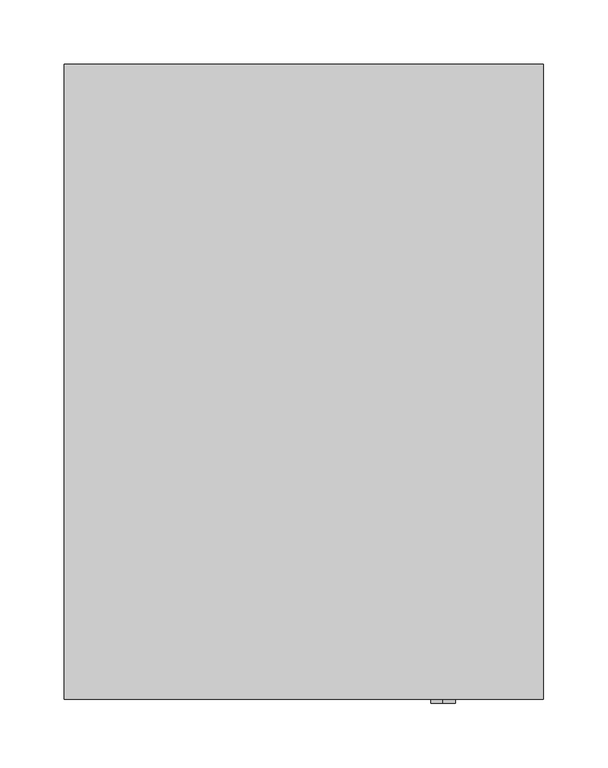
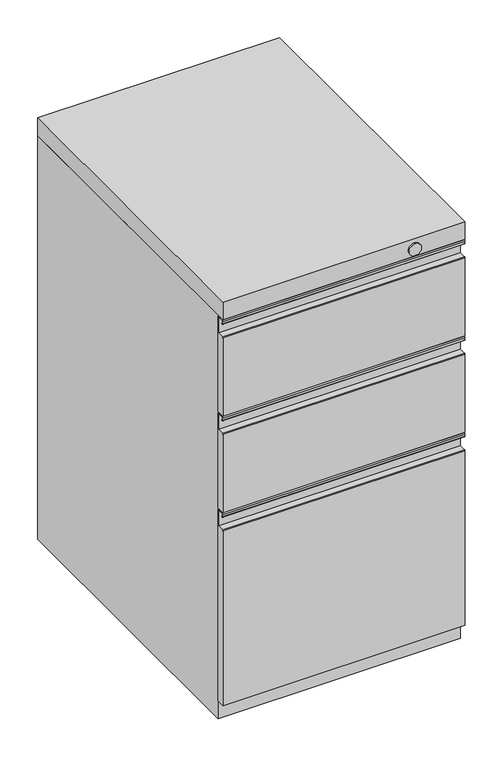
"""IFC4 building model written with IfcOpenShell, lengths in millimetres: furniture geometry."""

import ifcopenshell
import ifcopenshell.guid

model = None  # the IFC model being written
_history = None  # IfcOwnerHistory: only IFC2X3 demands one
_inside = {}  # id of a spatial element -> (the spatial element, [elements in it])
_under = {}  # id of a project, library or spatial element -> (it, [spatial elements below it])
_declared = {}  # id of a project -> (the project, [libraries it declares])
_typed = {}  # id of a type object -> (the type object, [elements of that type])
_made_of = {}  # id of a material, layer set ... -> (it, [elements and type objects made of it])


def new_model(schema):
    """Start an empty IFC model of exactly this schema.

    Asked for "IFC4X3", IfcOpenShell would pick the latest addendum, in which some entities
    have other attributes; the version numbers below select the first issue.
    IFC2X3 requires an IfcOwnerHistory on every rooted entity: one is made here for all.
    """
    global model, _history
    if schema == "IFC4X3":
        model = ifcopenshell.file(schema_version=(4, 3, 0, 0))
    else:
        model = ifcopenshell.file(schema=schema)
    _inside.clear()
    _under.clear()
    _declared.clear()
    _typed.clear()
    _made_of.clear()
    _history = None
    if model.schema == "IFC2X3":
        org = make("IfcOrganization", Name="unknown")
        user = make(
            "IfcPersonAndOrganization",
            ThePerson=make("IfcPerson", FamilyName="unknown"),
            TheOrganization=org,
        )
        app = make(
            "IfcApplication",
            ApplicationDeveloper=org,
            Version="unknown",
            ApplicationFullName="unknown",
            ApplicationIdentifier="unknown",
        )
        _history = make(
            "IfcOwnerHistory",
            OwningUser=user,
            OwningApplication=app,
            ChangeAction="ADDED",
            CreationDate=0,
        )
    return model


def make(cls, **values):
    """One entity of the class cls with the attributes given. An attribute that is None is left unset."""
    return model.create_entity(
        cls, **{name: value for name, value in values.items() if value is not None}
    )


def rooted(cls, **values):
    """An entity with a GlobalId (a new one), such as an element, a storey or a relation."""
    return make(cls, GlobalId=ifcopenshell.guid.new(), OwnerHistory=_history, **values)


def si_unit(unit_type, name, prefix=None):
    """IfcSIUnit, for example si_unit("LENGTHUNIT", "METRE", prefix="MILLI")."""
    return make("IfcSIUnit", UnitType=unit_type, Prefix=prefix, Name=name)


def assignment(units):
    """IfcUnitAssignment: the units of a project."""
    return None if units is None else make("IfcUnitAssignment", Units=units)


def point(xyz):
    """IfcCartesianPoint."""
    return None if xyz is None else make("IfcCartesianPoint", Coordinates=xyz)


def direction(xyz):
    """IfcDirection."""
    return None if xyz is None else make("IfcDirection", DirectionRatios=xyz)


def frame(location, z_axis=None, x_axis=None):
    """IfcAxis2Placement3D, a coordinate frame: its origin and axes. An axis left out is left unset."""
    return make(
        "IfcAxis2Placement3D",
        Location=point(location),
        Axis=direction(z_axis),
        RefDirection=direction(x_axis),
    )


def frame_2d(location, x_axis=None):
    """IfcAxis2Placement2D, a coordinate frame in the plane: its origin and x axis."""
    return make(
        "IfcAxis2Placement2D", Location=point(location), RefDirection=direction(x_axis)
    )


def origin():
    """The frame at (0, 0, 0) with its axes left unset."""
    return frame((0.0, 0.0, 0.0))


def place(relative_to, where):
    """IfcLocalPlacement: puts the frame where relative to a parent placement (None: the world)."""
    return make(
        "IfcLocalPlacement", PlacementRelTo=relative_to, RelativePlacement=where
    )


def context(
    kind, dimensions, precision=None, world=None, true_north=None, identifier=None
):
    """IfcGeometricRepresentationContext, for example the 3D "Model" context."""
    return make(
        "IfcGeometricRepresentationContext",
        ContextIdentifier=identifier,
        ContextType=kind,
        CoordinateSpaceDimension=dimensions,
        Precision=precision,
        WorldCoordinateSystem=world,
        TrueNorth=true_north,
    )


def project(units=None, contexts=None):
    """IfcProject with its units and contexts."""
    return rooted(
        "IfcProject",
        Name="project",
        RepresentationContexts=contexts,
        UnitsInContext=assignment(units),
    )


def spatial(cls, under=None, at=None, **own):
    """A site, building, storey or space (cls), placed at a placement, below another one or the project."""
    s = rooted(cls, ObjectPlacement=at, **own)
    if under is not None:
        _under.setdefault(under.id(), (under, []))[1].append(s)
    return s


def polyline(points):
    """IfcPolyline through the points."""
    return make("IfcPolyline", Points=[point(p) for p in points])


def circle_curve(where, radius):
    """IfcCircle in the frame where."""
    return make("IfcCircle", Position=where, Radius=radius)


def trimmed(basis, trim1, trim2, sense, master):
    """IfcTrimmedCurve: the piece of a basis curve between two trims."""
    return make(
        "IfcTrimmedCurve",
        BasisCurve=basis,
        Trim1=trim1,
        Trim2=trim2,
        SenseAgreement=sense,
        MasterRepresentation=master,
    )


def segment(curve, same_sense, transition):
    """IfcCompositeCurveSegment."""
    return make(
        "IfcCompositeCurveSegment",
        Transition=transition,
        SameSense=same_sense,
        ParentCurve=curve,
    )


def composite_curve(segments, self_intersect=None):
    """IfcCompositeCurve: segments joined end to end."""
    return make("IfcCompositeCurve", Segments=segments, SelfIntersect=self_intersect)


def outline(outer, holes=None, kind="AREA"):
    """IfcArbitraryClosedProfileDef: a profile drawn as a closed curve; with holes, ...WithVoids."""
    if holes is None:
        return make("IfcArbitraryClosedProfileDef", ProfileType=kind, OuterCurve=outer)
    return make(
        "IfcArbitraryProfileDefWithVoids",
        ProfileType=kind,
        OuterCurve=outer,
        InnerCurves=holes,
    )


def extrude(swept, where, along, depth):
    """IfcExtrudedAreaSolid: the profile swept, set in the frame where, extruded along a direction by depth."""
    return make(
        "IfcExtrudedAreaSolid",
        SweptArea=swept,
        Position=where,
        ExtrudedDirection=direction(along),
        Depth=depth,
    )


def shape(context_of_items, identifier, shape_type, items):
    """IfcShapeRepresentation: the items that make up one representation, for example the "Body"."""
    return make(
        "IfcShapeRepresentation",
        ContextOfItems=context_of_items,
        RepresentationIdentifier=identifier,
        RepresentationType=shape_type,
        Items=items,
    )


def source(mapping_origin, context_of_items, identifier, shape_type, items):
    """IfcRepresentationMap: a shape defined once, which mapped items show again and again."""
    return make(
        "IfcRepresentationMap",
        MappingOrigin=mapping_origin,
        MappedRepresentation=shape(context_of_items, identifier, shape_type, items),
    )


def transform(
    local_origin,
    x_axis=None,
    y_axis=None,
    z_axis=None,
    scale=None,
    scale2=None,
    scale3=None,
    uniform=True,
):
    """IfcCartesianTransformationOperator3D, or its non-uniform kind. x_axis, y_axis, z_axis: its Axis1, 2, 3."""
    if uniform:
        return make(
            "IfcCartesianTransformationOperator3D",
            Axis1=direction(x_axis),
            Axis2=direction(y_axis),
            LocalOrigin=point(local_origin),
            Scale=scale,
            Axis3=direction(z_axis),
        )
    return make(
        "IfcCartesianTransformationOperator3DnonUniform",
        Axis1=direction(x_axis),
        Axis2=direction(y_axis),
        LocalOrigin=point(local_origin),
        Scale=scale,
        Axis3=direction(z_axis),
        Scale2=scale2,
        Scale3=scale3,
    )


def mapped(mapping_source, mapping_target):
    """IfcMappedItem: shows the shape of a source again, moved by a transform."""
    return make(
        "IfcMappedItem", MappingSource=mapping_source, MappingTarget=mapping_target
    )


def made_of(thing, what):
    """Note that an element or type object is made of a material, layer set ...; save() writes the relation."""
    if what is not None:
        _made_of.setdefault(what.id(), (what, []))[1].append(thing)
    return thing


def element(
    cls,
    number,
    at=None,
    inside=None,
    cuts=None,
    type_object=None,
    material=None,
    context=None,
    identifier="Body",
    shape_type=None,
    held_by="IfcProductDefinitionShape",
    body=None,
    shapes=None,
    **own,
):
    """One element of the class cls, such as IfcWall. Its Tag is "e" and its number.

    at: its placement. inside: the storey or other place that contains it. cuts: it is an
    opening in that element (IfcRelVoidsElement). A single representation is given by context,
    identifier, shape_type and body (its items); several are given by shapes. held_by: the class
    of the entity that holds the representations. save() writes the other relations.
    """
    e = rooted(cls, Tag="e%d" % number, ObjectPlacement=at, **own)
    if body is not None:
        shapes = [shape(context, identifier, shape_type, body)]
    if shapes is not None:
        e.Representation = make(held_by, Representations=shapes)
    if inside is not None:
        _inside.setdefault(inside.id(), (inside, []))[1].append(e)
    if cuts is not None:
        rooted(
            "IfcRelVoidsElement", RelatingBuildingElement=cuts, RelatedOpeningElement=e
        )
    if type_object is not None:
        _typed.setdefault(type_object.id(), (type_object, []))[1].append(e)
    return made_of(e, material)


def aggregate(whole, parts):
    """IfcRelAggregates: a whole, such as a stair, and the parts it consists of."""
    return rooted("IfcRelAggregates", RelatingObject=whole, RelatedObjects=parts)


def save(model, path):
    """Write the relations noted so far, then the file.

    IfcRelAggregates (storeys below a building ...), IfcRelContainedInSpatialStructure (elements
    in a storey), IfcRelDefinesByType, IfcRelAssociatesMaterial and IfcRelDeclares: one each for
    every whole, place, type object, material and project.
    """
    for whole, parts in _under.values():
        aggregate(whole, parts)
    for where, things in _inside.values():
        rooted(
            "IfcRelContainedInSpatialStructure",
            RelatedElements=things,
            RelatingStructure=where,
        )
    for kind, things in _typed.values():
        rooted("IfcRelDefinesByType", RelatedObjects=things, RelatingType=kind)
    for what, things in _made_of.values():
        rooted("IfcRelAssociatesMaterial", RelatedObjects=things, RelatingMaterial=what)
    for by, libraries in _declared.values():
        rooted("IfcRelDeclares", RelatingContext=by, RelatedDefinitions=libraries)
    model.write(path)


def plane_surface(at):
    """IfcPlane: the flat surface through the origin of the frame at, square to its z axis."""
    return make("IfcPlane", Position=at)


def cylinder_surface(at, radius):
    """IfcCylindricalSurface: all points at the distance radius from the z axis of the frame at."""
    return make("IfcCylindricalSurface", Position=at, Radius=radius)


def advanced_brep(points, edges, surfaces, faces):
    """IfcAdvancedBrep: a solid bounded by faces that lie on surfaces and meet in shared edges.

    An edge is (start, end): straight between two places in points (the first is 0);
    or (start, end, curve); or (start, end, curve, False) where it runs against its curve.
    A face is (place in surfaces, loops), or (place, loops, False) where it looks against
    its surface's normal. A loop lists edges by number (the first is 1), with a minus sign
    where the edge is run from its end to its start. The first loop is the outer one.
    """
    corners = [point(p) for p in points]
    vertices = [make("IfcVertexPoint", VertexGeometry=c) for c in corners]
    made = []
    for start, end, *more in edges:
        made.append(
            make(
                "IfcEdgeCurve",
                EdgeStart=vertices[start],
                EdgeEnd=vertices[end],
                EdgeGeometry=more[0] if more else make("IfcPolyline", Points=[corners[start], corners[end]]),
                SameSense=more[1] if len(more) > 1 else True,
            )
        )
    hull = []
    for where, loops, *sense in faces:
        bounds = []
        for j, loop in enumerate(loops):
            ring = [make("IfcOrientedEdge", EdgeElement=made[abs(k) - 1], Orientation=k > 0) for k in loop]
            bounds.append(
                make(
                    "IfcFaceOuterBound" if j == 0 else "IfcFaceBound",
                    Bound=make("IfcEdgeLoop", EdgeList=ring),
                    Orientation=True,
                )
            )
        hull.append(make("IfcAdvancedFace", Bounds=bounds, FaceSurface=surfaces[where], SameSense=sense[0] if sense else True))
    return make("IfcAdvancedBrep", Outer=make("IfcClosedShell", CfsFaces=hull))


def furniture_12f3f3c2(model_context):
    return source(origin(), model_context, "Body", "SolidModel", [
        advanced_brep(
        [(133.35, 230.1874902, 9.525), (133.35, 179.3874932, 9.525), (133.35, 204.7874917, 9.525), (133.35, 230.1874902, 0.0), (133.35, 179.3874932, 0.0), (133.35, 204.7874917, 0.0)],
        [
            (0, 1, circle_curve(frame((133.35, 204.7874917, 9.525), z_axis=(0.0, 0.0, 1.0), x_axis=(0.0, -1.0, 0.0)), 25.3999985)),
            (1, 2),
            (2, 0),
            (1, 0, circle_curve(frame((133.35, 204.7874917, 9.525), z_axis=(0.0, 0.0, 1.0), x_axis=(0.0, -1.0, 0.0)), 25.3999985)),
            (3, 4, circle_curve(frame((133.35, 204.7874917, 0.0), z_axis=(0.0, 0.0, 1.0), x_axis=(0.0, -1.0, 0.0)), 25.3999985)),
            (4, 1),
            (0, 3),
            (4, 3, circle_curve(frame((133.35, 204.7874917, 0.0), z_axis=(0.0, 0.0, 1.0), x_axis=(0.0, -1.0, 0.0)), 25.3999985)),
            (5, 4),
            (3, 5),
        ],
        [
            plane_surface(frame((133.35, 204.7874917, 9.525), z_axis=(0.0, 0.0, 1.0), x_axis=(0.0, -1.0, 0.0))),
            cylinder_surface(frame((133.35, 204.7874917, 0.0), z_axis=(0.0, 0.0, -1.0), x_axis=(0.0, -1.0, 0.0)), 25.3999985),
            plane_surface(frame((133.35, 204.7874917, 0.0), z_axis=(0.0, 0.0, -1.0), x_axis=(0.0, -1.0, 0.0))),
        ],
        [
            (0, [[1, 2, 3]]),
            (0, [[4, -3, -2]]),
            (1, [[5, 6, -1, 7]]),
            (1, [[8, -7, -4, -6]]),
            (2, [[9, -5, 10]]),
            (2, [[-10, -8, -9]]),
        ],
    ),
        advanced_brep(
        [(133.35, -169.8625098, 9.525), (133.35, -220.6625068, 9.525), (133.35, -195.2625083, 9.525), (133.35, -169.8625098, 0.0), (133.35, -220.6625068, 0.0), (133.35, -195.2625083, 0.0)],
        [
            (0, 1, circle_curve(frame((133.35, -195.2625083, 9.525), z_axis=(0.0, 0.0, 1.0), x_axis=(0.0, -1.0, 0.0)), 25.3999985)),
            (1, 2),
            (2, 0),
            (1, 0, circle_curve(frame((133.35, -195.2625083, 9.525), z_axis=(0.0, 0.0, 1.0), x_axis=(0.0, -1.0, 0.0)), 25.3999985)),
            (3, 4, circle_curve(frame((133.35, -195.2625083, 0.0), z_axis=(0.0, 0.0, 1.0), x_axis=(0.0, -1.0, 0.0)), 25.3999985)),
            (4, 1),
            (0, 3),
            (4, 3, circle_curve(frame((133.35, -195.2625083, 0.0), z_axis=(0.0, 0.0, 1.0), x_axis=(0.0, -1.0, 0.0)), 25.3999985)),
            (5, 4),
            (3, 5),
        ],
        [
            plane_surface(frame((133.35, -195.2625083, 9.525), z_axis=(0.0, 0.0, 1.0), x_axis=(0.0, -1.0, 0.0))),
            cylinder_surface(frame((133.35, -195.2625083, 0.0), z_axis=(0.0, 0.0, -1.0), x_axis=(0.0, -1.0, 0.0)), 25.3999985),
            plane_surface(frame((133.35, -195.2625083, 0.0), z_axis=(0.0, 0.0, -1.0), x_axis=(0.0, -1.0, 0.0))),
        ],
        [
            (0, [[1, 2, 3]]),
            (0, [[4, -3, -2]]),
            (1, [[5, 6, -1, 7]]),
            (1, [[8, -7, -4, -6]]),
            (2, [[9, -5, 10]]),
            (2, [[-10, -8, -9]]),
        ],
    ),
        advanced_brep(
        [(-133.35, -169.8625098, 9.525), (-133.35, -220.6625068, 9.525), (-133.35, -195.2625083, 9.525), (-133.35, -169.8625098, 0.0), (-133.35, -220.6625068, 0.0), (-133.35, -195.2625083, 0.0)],
        [
            (0, 1, circle_curve(frame((-133.35, -195.2625083, 9.525), z_axis=(0.0, 0.0, 1.0), x_axis=(0.0, -1.0, 0.0)), 25.3999985)),
            (1, 2),
            (2, 0),
            (1, 0, circle_curve(frame((-133.35, -195.2625083, 9.525), z_axis=(0.0, 0.0, 1.0), x_axis=(0.0, -1.0, 0.0)), 25.3999985)),
            (3, 4, circle_curve(frame((-133.35, -195.2625083, 0.0), z_axis=(0.0, 0.0, 1.0), x_axis=(0.0, -1.0, 0.0)), 25.3999985)),
            (4, 1),
            (0, 3),
            (4, 3, circle_curve(frame((-133.35, -195.2625083, 0.0), z_axis=(0.0, 0.0, 1.0), x_axis=(0.0, -1.0, 0.0)), 25.3999985)),
            (5, 4),
            (3, 5),
        ],
        [
            plane_surface(frame((-133.35, -195.2625083, 9.525), z_axis=(0.0, 0.0, 1.0), x_axis=(0.0, -1.0, 0.0))),
            cylinder_surface(frame((-133.35, -195.2625083, 0.0), z_axis=(0.0, 0.0, -1.0), x_axis=(0.0, -1.0, 0.0)), 25.3999985),
            plane_surface(frame((-133.35, -195.2625083, 0.0), z_axis=(0.0, 0.0, -1.0), x_axis=(0.0, -1.0, 0.0))),
        ],
        [
            (0, [[1, 2, 3]]),
            (0, [[4, -3, -2]]),
            (1, [[5, 6, -1, 7]]),
            (1, [[8, -7, -4, -6]]),
            (2, [[9, -5, 10]]),
            (2, [[-10, -8, -9]]),
        ],
    ),
        advanced_brep(
        [(-133.35, 230.1874902, 9.525), (-133.35, 179.3874932, 9.525), (-133.35, 204.7874917, 9.525), (-133.35, 230.1874902, 0.0), (-133.35, 179.3874932, 0.0), (-133.35, 204.7874917, 0.0)],
        [
            (0, 1, circle_curve(frame((-133.35, 204.7874917, 9.525), z_axis=(0.0, 0.0, 1.0), x_axis=(0.0, -1.0, 0.0)), 25.3999985)),
            (1, 2),
            (2, 0),
            (1, 0, circle_curve(frame((-133.35, 204.7874917, 9.525), z_axis=(0.0, 0.0, 1.0), x_axis=(0.0, -1.0, 0.0)), 25.3999985)),
            (3, 4, circle_curve(frame((-133.35, 204.7874917, 0.0), z_axis=(0.0, 0.0, 1.0), x_axis=(0.0, -1.0, 0.0)), 25.3999985)),
            (4, 1),
            (0, 3),
            (4, 3, circle_curve(frame((-133.35, 204.7874917, 0.0), z_axis=(0.0, 0.0, 1.0), x_axis=(0.0, -1.0, 0.0)), 25.3999985)),
            (5, 4),
            (3, 5),
        ],
        [
            plane_surface(frame((-133.35, 204.7874917, 9.525), z_axis=(0.0, 0.0, 1.0), x_axis=(0.0, -1.0, 0.0))),
            cylinder_surface(frame((-133.35, 204.7874917, 0.0), z_axis=(0.0, 0.0, -1.0), x_axis=(0.0, -1.0, 0.0)), 25.3999985),
            plane_surface(frame((-133.35, 204.7874917, 0.0), z_axis=(0.0, 0.0, -1.0), x_axis=(0.0, -1.0, 0.0))),
        ],
        [
            (0, [[1, 2, 3]]),
            (0, [[4, -3, -2]]),
            (1, [[5, 6, -1, 7]]),
            (1, [[8, -7, -4, -6]]),
            (2, [[9, -5, 10]]),
            (2, [[-10, -8, -9]]),
        ],
    ),
        advanced_brep(
        [(185.7375, -233.3633734, 347.698449), (185.7375, -234.9149365, 349.2500121), (185.7375, -244.2959206, 349.2500121), (185.7375, -245.8467713, 347.6991614), (185.7375, -245.8467713, 344.0934196), (185.7375, -243.4676129, 344.2289975), (185.7375, -245.0852623, 344.1369029), (185.7375, -245.0854655, 347.7001681), (185.7375, -244.2980863, 348.4876201), (185.7375, -234.912758, 348.4876201), (185.7375, -234.1245087, 347.6974066), (185.7375, -234.1245087, 322.3696782), (185.7375, -244.8905918, 322.3696782), (185.7375, -246.0625, 321.2427484), (185.7375, -246.0625, 38.1), (185.7375, -233.3624758, 38.1), (-185.7375, -233.3624758, 347.698655), (-185.7375, -233.3624758, 38.1), (-185.7375, -246.0625, 38.1), (-185.7375, -246.0625, 321.2427484), (-185.7375, -244.8905918, 322.3696782), (-185.7375, -234.1245087, 322.3696782), (-185.7375, -234.1245087, 347.6974066), (-185.7375, -234.912758, 348.4876201), (-185.7375, -244.2980863, 348.4876201), (-185.7375, -245.0854655, 347.7001681), (-185.7375, -245.0852623, 344.1369029), (-185.7375, -243.4676129, 344.2289975), (-185.7375, -245.8467713, 344.0934196), (-185.7375, -245.8467713, 347.6991614), (-185.7375, -244.2959206, 349.2500121), (-185.7375, -234.9149365, 349.2500121)],
        [
            (0, 1, circle_curve(frame((185.7375, -234.9149365, 347.698449), z_axis=(1.0, 0.0, 0.0), x_axis=(0.0, 1.0, 0.0)), 1.5515631)),
            (1, 2),
            (2, 3, circle_curve(frame((185.7375, -244.2959206, 347.6991614), z_axis=(1.0, 0.0, 0.0), x_axis=(0.0, 1.0, 0.0)), 1.5508507)),
            (3, 4),
            (4, 5, circle_curve(frame((185.7375, -244.6533291, 344.0934196), z_axis=(1.0, 0.0, 0.0), x_axis=(0.0, 1.0, 0.0)), 1.1934422)),
            (5, 6),
            (6, 7),
            (7, 8),
            (8, 9),
            (9, 10),
            (10, 11),
            (11, 12),
            (12, 13, circle_curve(frame((185.7375, -244.8905918, 321.1968723), z_axis=(1.0, 0.0, 0.0), x_axis=(0.0, 1.0, 0.0)), 1.1728058)),
            (13, 14),
            (14, 15),
            (15, 0),
            (16, 17),
            (17, 18),
            (18, 19),
            (19, 20, circle_curve(frame((-185.7375, -244.8905918, 321.1968723), z_axis=(-1.0, 0.0, 0.0), x_axis=(0.0, 1.0, 0.0)), 1.1728058)),
            (20, 21),
            (21, 22),
            (22, 23),
            (23, 24),
            (24, 25),
            (25, 26),
            (26, 27),
            (27, 28, circle_curve(frame((-185.7375, -244.6533291, 344.0934196), z_axis=(-1.0, 0.0, 0.0), x_axis=(0.0, 1.0, 0.0)), 1.1934422)),
            (28, 29),
            (29, 30, circle_curve(frame((-185.7375, -244.2959206, 347.6991614), z_axis=(-1.0, 0.0, 0.0), x_axis=(0.0, 1.0, 0.0)), 1.5508507)),
            (30, 31),
            (31, 16, circle_curve(frame((-185.7375, -234.9149365, 347.698449), z_axis=(-1.0, 0.0, 0.0), x_axis=(0.0, 1.0, 0.0)), 1.5515631)),
            (0, 16),
            (31, 1),
            (30, 2),
            (29, 3),
            (28, 4),
            (27, 5),
            (26, 6),
            (25, 7),
            (24, 8),
            (23, 9),
            (22, 10),
            (21, 11),
            (20, 12),
            (19, 13),
            (18, 14),
            (17, 15),
        ],
        [
            plane_surface(frame((185.7375, -233.3633734, 347.698449), z_axis=(1.0, 0.0, 0.0), x_axis=(0.0, 0.0, 1.0))),
            plane_surface(frame((-185.7375, -233.3633734, 347.698449), z_axis=(-1.0, 0.0, 0.0), x_axis=(0.0, 0.0, -1.0))),
            cylinder_surface(frame((-185.7375, -234.9149365, 347.698449), z_axis=(1.0, 0.0, 0.0), x_axis=(0.0, 1.0, 0.0)), 1.5515631),
            plane_surface(frame((185.7375, -234.9149365, 349.2500121), z_axis=(0.0, 0.0, 1.0), x_axis=(-1.0, 0.0, 0.0))),
            cylinder_surface(frame((-185.7375, -244.2959206, 347.6991614), z_axis=(1.0, 0.0, 0.0), x_axis=(0.0, 1.0, 0.0)), 1.5508507),
            plane_surface(frame((185.7375, -245.8467713, 347.6991614), z_axis=(0.0, -1.0, 0.0), x_axis=(-1.0, 0.0, 0.0))),
            cylinder_surface(frame((-185.7375, -244.6533291, 344.0934196), z_axis=(1.0, 0.0, 0.0), x_axis=(0.0, 1.0, 0.0)), 1.1934422),
            plane_surface(frame((185.7375, -243.4676129, 344.2289975), z_axis=(0.0, -0.05683911841868718, 0.9983833505309404), x_axis=(-1.0, 0.0, 0.0))),
            plane_surface(frame((185.7375, -245.0852623, 344.1369029), z_axis=(0.0, 0.9999999983729901, 5.7044017430335134e-05), x_axis=(-1.0, 0.0, 0.0))),
            plane_surface(frame((185.7375, -245.0854655, 347.7001681), z_axis=(0.0, 0.7071394096055933, -0.7070741512618411), x_axis=(-1.0, 0.0, 0.0))),
            plane_surface(frame((185.7375, -244.2980863, 348.4876201), z_axis=(0.0, 0.0, -1.0), x_axis=(-1.0, 0.0, 0.0))),
            plane_surface(frame((185.7375, -234.912758, 348.4876201), z_axis=(0.0, -0.7079861649375401, -0.7062263024392637), x_axis=(-1.0, 0.0, 0.0))),
            plane_surface(frame((185.7375, -234.1245087, 347.6974066), z_axis=(0.0, -1.0, 0.0), x_axis=(-1.0, 0.0, 0.0))),
            plane_surface(frame((185.7375, -234.1245087, 322.3696782), z_axis=(0.0, 0.0, 1.0), x_axis=(-1.0, 0.0, 0.0))),
            cylinder_surface(frame((-185.7375, -244.8905918, 321.1968723), z_axis=(1.0, 0.0, 0.0), x_axis=(0.0, 1.0, 0.0)), 1.1728058),
            plane_surface(frame((185.7375, -246.0625, 321.2427484), z_axis=(0.0, -1.0, 0.0), x_axis=(-1.0, 0.0, 0.0))),
            plane_surface(frame((185.7375, -246.0625, 38.1), z_axis=(0.0, 0.0, -1.0), x_axis=(-1.0, 0.0, 0.0))),
            plane_surface(frame((185.7375, -233.3624758, 38.1), z_axis=(0.0, 1.0, 0.0), x_axis=(-1.0, 0.0, 0.0))),
        ],
        [
            (0, [[1, 2, 3, 4, 5, 6, 7, 8, 9, 10, 11, 12, 13, 14, 15, 16]]),
            (1, [[17, 18, 19, 20, 21, 22, 23, 24, 25, 26, 27, 28, 29, 30, 31, 32]]),
            (2, [[-1, 33, -32, 34]]),
            (3, [[-2, -34, -31, 35]]),
            (4, [[-3, -35, -30, 36]]),
            (5, [[-4, -36, -29, 37]]),
            (6, [[-5, -37, -28, 38]]),
            (7, [[-6, -38, -27, 39]]),
            (8, [[-7, -39, -26, 40]]),
            (9, [[-8, -40, -25, 41]]),
            (10, [[-9, -41, -24, 42]]),
            (11, [[-10, -42, -23, 43]]),
            (12, [[-11, -43, -22, 44]]),
            (13, [[-12, -44, -21, 45]]),
            (14, [[-13, -45, -20, 46]]),
            (15, [[-14, -46, -19, 47]]),
            (16, [[-15, -47, -18, 48]]),
            (17, [[-16, -48, -17, -33]]),
        ],
    ),
        advanced_brep(
        [(185.7375, -233.3633734, 660.4359482), (185.7375, -234.9149365, 661.9875114), (185.7375, -244.2959206, 661.9875114), (185.7375, -245.8467713, 660.4366607), (185.7375, -245.8467713, 656.8309189), (185.7375, -243.4676129, 656.9664968), (185.7375, -245.0852623, 656.8744021), (185.7375, -245.0854655, 660.4376674), (185.7375, -244.2980863, 661.2251193), (185.7375, -234.912758, 661.2251193), (185.7375, -234.1245087, 660.4349058), (185.7375, -234.1245087, 635.1071774), (185.7375, -244.8905918, 635.1071774), (185.7375, -246.0625, 633.9802476), (185.7375, -246.0625, 507.2062614), (185.7375, -233.3624758, 507.2062614), (-185.7375, -233.3624758, 660.4361542), (-185.7375, -233.3624758, 507.2062614), (-185.7375, -246.0625, 507.2062614), (-185.7375, -246.0625, 633.9802476), (-185.7375, -244.8905918, 635.1071774), (-185.7375, -234.1245087, 635.1071774), (-185.7375, -234.1245087, 660.4349058), (-185.7375, -234.912758, 661.2251193), (-185.7375, -244.2980863, 661.2251193), (-185.7375, -245.0854655, 660.4376674), (-185.7375, -245.0852623, 656.8744021), (-185.7375, -243.4676129, 656.9664968), (-185.7375, -245.8467713, 656.8309189), (-185.7375, -245.8467713, 660.4366607), (-185.7375, -244.2959206, 661.9875114), (-185.7375, -234.9149365, 661.9875114)],
        [
            (0, 1, circle_curve(frame((185.7375, -234.9149365, 660.4359482), z_axis=(1.0, 0.0, 0.0), x_axis=(0.0, 1.0, 0.0)), 1.5515631)),
            (1, 2),
            (2, 3, circle_curve(frame((185.7375, -244.2959206, 660.4366607), z_axis=(1.0, 0.0, 0.0), x_axis=(0.0, 1.0, 0.0)), 1.5508507)),
            (3, 4),
            (4, 5, circle_curve(frame((185.7375, -244.6533291, 656.8309189), z_axis=(1.0, 0.0, 0.0), x_axis=(0.0, 1.0, 0.0)), 1.1934422)),
            (5, 6),
            (6, 7),
            (7, 8),
            (8, 9),
            (9, 10),
            (10, 11),
            (11, 12),
            (12, 13, circle_curve(frame((185.7375, -244.8905918, 633.9343716), z_axis=(1.0, 0.0, 0.0), x_axis=(0.0, 1.0, 0.0)), 1.1728058)),
            (13, 14),
            (14, 15),
            (15, 0),
            (16, 17),
            (17, 18),
            (18, 19),
            (19, 20, circle_curve(frame((-185.7375, -244.8905918, 633.9343716), z_axis=(-1.0, 0.0, 0.0), x_axis=(0.0, 1.0, 0.0)), 1.1728058)),
            (20, 21),
            (21, 22),
            (22, 23),
            (23, 24),
            (24, 25),
            (25, 26),
            (26, 27),
            (27, 28, circle_curve(frame((-185.7375, -244.6533291, 656.8309189), z_axis=(-1.0, 0.0, 0.0), x_axis=(0.0, 1.0, 0.0)), 1.1934422)),
            (28, 29),
            (29, 30, circle_curve(frame((-185.7375, -244.2959206, 660.4366607), z_axis=(-1.0, 0.0, 0.0), x_axis=(0.0, 1.0, 0.0)), 1.5508507)),
            (30, 31),
            (31, 16, circle_curve(frame((-185.7375, -234.9149365, 660.4359482), z_axis=(-1.0, 0.0, 0.0), x_axis=(0.0, 1.0, 0.0)), 1.5515631)),
            (0, 16),
            (31, 1),
            (30, 2),
            (29, 3),
            (28, 4),
            (27, 5),
            (26, 6),
            (25, 7),
            (24, 8),
            (23, 9),
            (22, 10),
            (21, 11),
            (20, 12),
            (19, 13),
            (18, 14),
            (17, 15),
        ],
        [
            plane_surface(frame((185.7375, -233.3633734, 660.4359482), z_axis=(1.0, 0.0, 0.0), x_axis=(0.0, 0.0, 1.0))),
            plane_surface(frame((-185.7375, -233.3633734, 660.4359482), z_axis=(-1.0, 0.0, 0.0), x_axis=(0.0, 0.0, -1.0))),
            cylinder_surface(frame((-185.7375, -234.9149365, 660.4359482), z_axis=(1.0, 0.0, 0.0), x_axis=(0.0, 1.0, 0.0)), 1.5515631),
            plane_surface(frame((185.7375, -234.9149365, 661.9875114), z_axis=(0.0, 0.0, 1.0), x_axis=(-1.0, 0.0, 0.0))),
            cylinder_surface(frame((-185.7375, -244.2959206, 660.4366607), z_axis=(1.0, 0.0, 0.0), x_axis=(0.0, 1.0, 0.0)), 1.5508507),
            plane_surface(frame((185.7375, -245.8467713, 660.4366607), z_axis=(0.0, -1.0, 0.0), x_axis=(-1.0, 0.0, 0.0))),
            cylinder_surface(frame((-185.7375, -244.6533291, 656.8309189), z_axis=(1.0, 0.0, 0.0), x_axis=(0.0, 1.0, 0.0)), 1.1934422),
            plane_surface(frame((185.7375, -243.4676129, 656.9664968), z_axis=(0.0, -0.05683911841533976, 0.9983833505311309), x_axis=(-1.0, 0.0, 0.0))),
            plane_surface(frame((185.7375, -245.0852623, 656.8744021), z_axis=(0.0, 0.9999999983729901, 5.704401746832231e-05), x_axis=(-1.0, 0.0, 0.0))),
            plane_surface(frame((185.7375, -245.0854655, 660.4376674), z_axis=(0.0, 0.7071394096054413, -0.707074151261993), x_axis=(-1.0, 0.0, 0.0))),
            plane_surface(frame((185.7375, -244.2980863, 661.2251193), z_axis=(0.0, 0.0, -1.0), x_axis=(-1.0, 0.0, 0.0))),
            plane_surface(frame((185.7375, -234.912758, 661.2251193), z_axis=(0.0, -0.707986164937389, -0.7062263024394152), x_axis=(-1.0, 0.0, 0.0))),
            plane_surface(frame((185.7375, -234.1245087, 660.4349058), z_axis=(0.0, -1.0, 0.0), x_axis=(-1.0, 0.0, 0.0))),
            plane_surface(frame((185.7375, -234.1245087, 635.1071774), z_axis=(0.0, 0.0, 1.0), x_axis=(-1.0, 0.0, 0.0))),
            cylinder_surface(frame((-185.7375, -244.8905918, 633.9343716), z_axis=(1.0, 0.0, 0.0), x_axis=(0.0, 1.0, 0.0)), 1.1728058),
            plane_surface(frame((185.7375, -246.0625, 633.9802476), z_axis=(0.0, -1.0, 0.0), x_axis=(-1.0, 0.0, 0.0))),
            plane_surface(frame((185.7375, -246.0625, 507.2062614), z_axis=(0.0, 0.0, -1.0), x_axis=(-1.0, 0.0, 0.0))),
            plane_surface(frame((185.7375, -233.3624758, 507.2062614), z_axis=(0.0, 1.0, 0.0), x_axis=(-1.0, 0.0, 0.0))),
        ],
        [
            (0, [[1, 2, 3, 4, 5, 6, 7, 8, 9, 10, 11, 12, 13, 14, 15, 16]]),
            (1, [[17, 18, 19, 20, 21, 22, 23, 24, 25, 26, 27, 28, 29, 30, 31, 32]]),
            (2, [[-1, 33, -32, 34]]),
            (3, [[-2, -34, -31, 35]]),
            (4, [[-3, -35, -30, 36]]),
            (5, [[-4, -36, -29, 37]]),
            (6, [[-5, -37, -28, 38]]),
            (7, [[-6, -38, -27, 39]]),
            (8, [[-7, -39, -26, 40]]),
            (9, [[-8, -40, -25, 41]]),
            (10, [[-9, -41, -24, 42]]),
            (11, [[-10, -42, -23, 43]]),
            (12, [[-11, -43, -22, 44]]),
            (13, [[-12, -44, -21, 45]]),
            (14, [[-13, -45, -20, 46]]),
            (15, [[-14, -46, -19, 47]]),
            (16, [[-15, -47, -18, 48]]),
            (17, [[-16, -48, -17, -33]]),
        ],
    ),
        advanced_brep(
        [(185.7375, -233.3633734, 504.0671982), (185.7375, -234.9149365, 505.6187614), (185.7375, -244.2959206, 505.6187614), (185.7375, -245.8467713, 504.0679107), (185.7375, -245.8467713, 500.4621689), (185.7375, -243.4676129, 500.5977468), (185.7375, -245.0852623, 500.5056521), (185.7375, -245.0854655, 504.0689174), (185.7375, -244.2980863, 504.8563693), (185.7375, -234.912758, 504.8563693), (185.7375, -234.1245087, 504.0661558), (185.7375, -234.1245087, 478.7384274), (185.7375, -244.8905918, 478.7384274), (185.7375, -246.0625, 477.6114976), (185.7375, -246.0625, 350.8374992), (185.7375, -233.3624758, 350.8374992), (-185.7375, -233.3624758, 504.0674042), (-185.7375, -233.3624758, 350.8374992), (-185.7375, -246.0625, 350.8374992), (-185.7375, -246.0625, 477.6114976), (-185.7375, -244.8905918, 478.7384274), (-185.7375, -234.1245087, 478.7384274), (-185.7375, -234.1245087, 504.0661558), (-185.7375, -234.912758, 504.8563693), (-185.7375, -244.2980863, 504.8563693), (-185.7375, -245.0854655, 504.0689174), (-185.7375, -245.0852623, 500.5056521), (-185.7375, -243.4676129, 500.5977468), (-185.7375, -245.8467713, 500.4621689), (-185.7375, -245.8467713, 504.0679107), (-185.7375, -244.2959206, 505.6187614), (-185.7375, -234.9149365, 505.6187614)],
        [
            (0, 1, circle_curve(frame((185.7375, -234.9149365, 504.0671982), z_axis=(1.0, 0.0, 0.0), x_axis=(0.0, 1.0, 0.0)), 1.5515631)),
            (1, 2),
            (2, 3, circle_curve(frame((185.7375, -244.2959206, 504.0679107), z_axis=(1.0, 0.0, 0.0), x_axis=(0.0, 1.0, 0.0)), 1.5508507)),
            (3, 4),
            (4, 5, circle_curve(frame((185.7375, -244.6533291, 500.4621689), z_axis=(1.0, 0.0, 0.0), x_axis=(0.0, 1.0, 0.0)), 1.1934422)),
            (5, 6),
            (6, 7),
            (7, 8),
            (8, 9),
            (9, 10),
            (10, 11),
            (11, 12),
            (12, 13, circle_curve(frame((185.7375, -244.8905918, 477.5656216), z_axis=(1.0, 0.0, 0.0), x_axis=(0.0, 1.0, 0.0)), 1.1728058)),
            (13, 14),
            (14, 15),
            (15, 0),
            (16, 17),
            (17, 18),
            (18, 19),
            (19, 20, circle_curve(frame((-185.7375, -244.8905918, 477.5656216), z_axis=(-1.0, 0.0, 0.0), x_axis=(0.0, 1.0, 0.0)), 1.1728058)),
            (20, 21),
            (21, 22),
            (22, 23),
            (23, 24),
            (24, 25),
            (25, 26),
            (26, 27),
            (27, 28, circle_curve(frame((-185.7375, -244.6533291, 500.4621689), z_axis=(-1.0, 0.0, 0.0), x_axis=(0.0, 1.0, 0.0)), 1.1934422)),
            (28, 29),
            (29, 30, circle_curve(frame((-185.7375, -244.2959206, 504.0679107), z_axis=(-1.0, 0.0, 0.0), x_axis=(0.0, 1.0, 0.0)), 1.5508507)),
            (30, 31),
            (31, 16, circle_curve(frame((-185.7375, -234.9149365, 504.0671982), z_axis=(-1.0, 0.0, 0.0), x_axis=(0.0, 1.0, 0.0)), 1.5515631)),
            (0, 16),
            (31, 1),
            (30, 2),
            (29, 3),
            (28, 4),
            (27, 5),
            (26, 6),
            (25, 7),
            (24, 8),
            (23, 9),
            (22, 10),
            (21, 11),
            (20, 12),
            (19, 13),
            (18, 14),
            (17, 15),
        ],
        [
            plane_surface(frame((185.7375, -233.3633734, 504.0671982), z_axis=(1.0, 0.0, 0.0), x_axis=(0.0, 0.0, 1.0))),
            plane_surface(frame((-185.7375, -233.3633734, 504.0671982), z_axis=(-1.0, 0.0, 0.0), x_axis=(0.0, 0.0, -1.0))),
            cylinder_surface(frame((-185.7375, -234.9149365, 504.0671982), z_axis=(1.0, 0.0, 0.0), x_axis=(0.0, 1.0, 0.0)), 1.5515631),
            plane_surface(frame((185.7375, -234.9149365, 505.6187614), z_axis=(0.0, 0.0, 1.0), x_axis=(-1.0, 0.0, 0.0))),
            cylinder_surface(frame((-185.7375, -244.2959206, 504.0679107), z_axis=(1.0, 0.0, 0.0), x_axis=(0.0, 1.0, 0.0)), 1.5508507),
            plane_surface(frame((185.7375, -245.8467713, 504.0679107), z_axis=(0.0, -1.0, 0.0), x_axis=(-1.0, 0.0, 0.0))),
            cylinder_surface(frame((-185.7375, -244.6533291, 500.4621689), z_axis=(1.0, 0.0, 0.0), x_axis=(0.0, 1.0, 0.0)), 1.1934422),
            plane_surface(frame((185.7375, -243.4676129, 500.5977468), z_axis=(0.0, -0.056839118418229195, 0.9983833505309665), x_axis=(-1.0, 0.0, 0.0))),
            plane_surface(frame((185.7375, -245.0852623, 500.5056521), z_axis=(0.0, 0.9999999983729901, 5.704401746832231e-05), x_axis=(-1.0, 0.0, 0.0))),
            plane_surface(frame((185.7375, -245.0854655, 504.0689174), z_axis=(0.0, 0.7071394096054413, -0.707074151261993), x_axis=(-1.0, 0.0, 0.0))),
            plane_surface(frame((185.7375, -244.2980863, 504.8563693), z_axis=(0.0, 0.0, -1.0), x_axis=(-1.0, 0.0, 0.0))),
            plane_surface(frame((185.7375, -234.912758, 504.8563693), z_axis=(0.0, -0.7079861649374191, -0.7062263024393849), x_axis=(-1.0, 0.0, 0.0))),
            plane_surface(frame((185.7375, -234.1245087, 504.0661558), z_axis=(0.0, -1.0, 0.0), x_axis=(-1.0, 0.0, 0.0))),
            plane_surface(frame((185.7375, -234.1245087, 478.7384274), z_axis=(0.0, 0.0, 1.0), x_axis=(-1.0, 0.0, 0.0))),
            cylinder_surface(frame((-185.7375, -244.8905918, 477.5656216), z_axis=(1.0, 0.0, 0.0), x_axis=(0.0, 1.0, 0.0)), 1.1728058),
            plane_surface(frame((185.7375, -246.0625, 477.6114976), z_axis=(0.0, -1.0, 0.0), x_axis=(-1.0, 0.0, 0.0))),
            plane_surface(frame((185.7375, -246.0625, 350.8374992), z_axis=(0.0, 0.0, -1.0), x_axis=(-1.0, 0.0, 0.0))),
            plane_surface(frame((185.7375, -233.3624758, 350.8374992), z_axis=(0.0, 1.0, 0.0), x_axis=(-1.0, 0.0, 0.0))),
        ],
        [
            (0, [[1, 2, 3, 4, 5, 6, 7, 8, 9, 10, 11, 12, 13, 14, 15, 16]]),
            (1, [[17, 18, 19, 20, 21, 22, 23, 24, 25, 26, 27, 28, 29, 30, 31, 32]]),
            (2, [[-1, 33, -32, 34]]),
            (3, [[-2, -34, -31, 35]]),
            (4, [[-3, -35, -30, 36]]),
            (5, [[-4, -36, -29, 37]]),
            (6, [[-5, -37, -28, 38]]),
            (7, [[-6, -38, -27, 39]]),
            (8, [[-7, -39, -26, 40]]),
            (9, [[-8, -40, -25, 41]]),
            (10, [[-9, -41, -24, 42]]),
            (11, [[-10, -42, -23, 43]]),
            (12, [[-11, -43, -22, 44]]),
            (13, [[-12, -44, -21, 45]]),
            (14, [[-13, -45, -20, 46]]),
            (15, [[-14, -46, -19, 47]]),
            (16, [[-15, -47, -18, 48]]),
            (17, [[-16, -48, -17, -33]]),
        ],
    ),
        extrude(outline(polyline([(185.7375, 246.0625), (185.7375, -246.0625), (-185.7375, -246.0625), (-185.7375, 246.0625), (185.7375, 246.0625)])), frame((0.0, 0.0, 663.575), z_axis=(0.0, 0.0, 1.0), x_axis=(1.0, 0.0, 0.0)), (0.0, 0.0, 1.0), 28.575),
        extrude(outline(polyline([(185.7375, 246.0625), (185.7375, -233.3624758), (-185.7375, -233.3624758), (-185.7375, 246.0625), (185.7375, 246.0625)])), frame((0.0, 0.0, 9.525), z_axis=(0.0, 0.0, 1.0), x_axis=(1.0, 0.0, 0.0)), (0.0, 0.0, 1.0), 654.05),
        extrude(outline(composite_curve([segment(trimmed(circle_curve(frame_2d((676.2750242, 107.9500242)), 9.525), [point((666.7500242, 107.9500242))], [point((685.8000242, 107.9500242))], False, "CARTESIAN"), True, "CONTINUOUS"), segment(trimmed(circle_curve(frame_2d((676.2750242, 107.9500242)), 9.525), [point((685.8000242, 107.9500242))], [point((666.7500242, 107.9500242))], False, "CARTESIAN"), True, "CONTINUOUS")], self_intersect=False)), frame((0.0, -249.2374879, 0.0), z_axis=(0.0, 1.0, 0.0), x_axis=(0.0, 0.0, 1.0)), (0.0, 0.0, 1.0), 3.1749879),
    ])


if __name__ == "__main__":
    model = new_model("IFC4")
    model_context = context("Model", 3, world=origin())
    ifc_project = project(units=[si_unit("LENGTHUNIT", "METRE", prefix="MILLI")], contexts=[model_context])
    site = spatial("IfcSite", under=ifc_project)
    building = spatial("IfcBuilding", under=site)
    placement = place(None, origin())
    furniture_shape = furniture_12f3f3c2(model_context)
    element("IfcFurniture", 1, at=placement, inside=building, context=model_context, shape_type="MappedRepresentation", body=[
        mapped(furniture_shape, transform((0.0, 0.0, 0.0), x_axis=(1.0, 0.0, 0.0), y_axis=(0.0, 1.0, 0.0), z_axis=(0.0, 0.0, 1.0))),
    ])
    save(model, "model.ifc")
